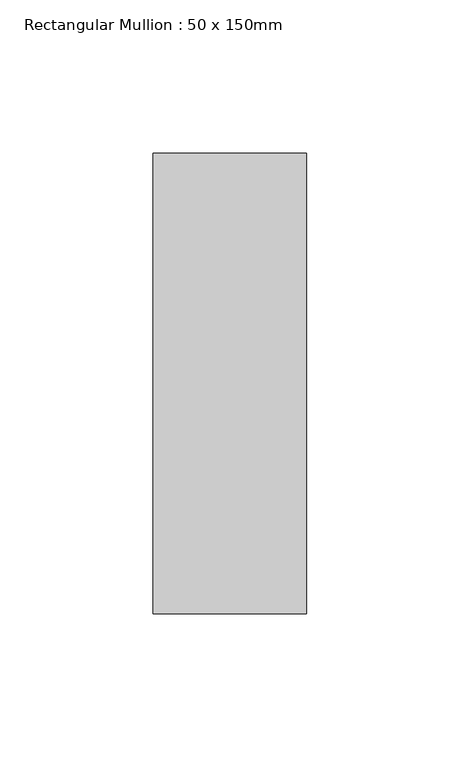
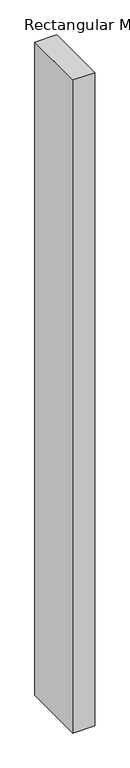
"""IFC4 building model written with IfcOpenShell, lengths in millimetres: member geometry, Rectangular Mullion : 50 x 150mm."""

import ifcopenshell
import ifcopenshell.guid

model = None  # the IFC model being written
_history = None  # IfcOwnerHistory: only IFC2X3 demands one
_inside = {}  # id of a spatial element -> (the spatial element, [elements in it])
_under = {}  # id of a project, library or spatial element -> (it, [spatial elements below it])
_declared = {}  # id of a project -> (the project, [libraries it declares])
_typed = {}  # id of a type object -> (the type object, [elements of that type])
_made_of = {}  # id of a material, layer set ... -> (it, [elements and type objects made of it])


def new_model(schema):
    """Start an empty IFC model of exactly this schema.

    Asked for "IFC4X3", IfcOpenShell would pick the latest addendum, in which some entities
    have other attributes; the version numbers below select the first issue.
    IFC2X3 requires an IfcOwnerHistory on every rooted entity: one is made here for all.
    """
    global model, _history
    if schema == "IFC4X3":
        model = ifcopenshell.file(schema_version=(4, 3, 0, 0))
    else:
        model = ifcopenshell.file(schema=schema)
    _inside.clear()
    _under.clear()
    _declared.clear()
    _typed.clear()
    _made_of.clear()
    _history = None
    if model.schema == "IFC2X3":
        org = make("IfcOrganization", Name="unknown")
        user = make(
            "IfcPersonAndOrganization",
            ThePerson=make("IfcPerson", FamilyName="unknown"),
            TheOrganization=org,
        )
        app = make(
            "IfcApplication",
            ApplicationDeveloper=org,
            Version="unknown",
            ApplicationFullName="unknown",
            ApplicationIdentifier="unknown",
        )
        _history = make(
            "IfcOwnerHistory",
            OwningUser=user,
            OwningApplication=app,
            ChangeAction="ADDED",
            CreationDate=0,
        )
    return model


def make(cls, **values):
    """One entity of the class cls with the attributes given. An attribute that is None is left unset."""
    return model.create_entity(
        cls, **{name: value for name, value in values.items() if value is not None}
    )


def rooted(cls, **values):
    """An entity with a GlobalId (a new one), such as an element, a storey or a relation."""
    return make(cls, GlobalId=ifcopenshell.guid.new(), OwnerHistory=_history, **values)


def si_unit(unit_type, name, prefix=None):
    """IfcSIUnit, for example si_unit("LENGTHUNIT", "METRE", prefix="MILLI")."""
    return make("IfcSIUnit", UnitType=unit_type, Prefix=prefix, Name=name)


def assignment(units):
    """IfcUnitAssignment: the units of a project."""
    return None if units is None else make("IfcUnitAssignment", Units=units)


def point(xyz):
    """IfcCartesianPoint."""
    return None if xyz is None else make("IfcCartesianPoint", Coordinates=xyz)


def direction(xyz):
    """IfcDirection."""
    return None if xyz is None else make("IfcDirection", DirectionRatios=xyz)


def frame(location, z_axis=None, x_axis=None):
    """IfcAxis2Placement3D, a coordinate frame: its origin and axes. An axis left out is left unset."""
    return make(
        "IfcAxis2Placement3D",
        Location=point(location),
        Axis=direction(z_axis),
        RefDirection=direction(x_axis),
    )


def origin():
    """The frame at (0, 0, 0) with its axes left unset."""
    return frame((0.0, 0.0, 0.0))


def place(relative_to, where):
    """IfcLocalPlacement: puts the frame where relative to a parent placement (None: the world)."""
    return make(
        "IfcLocalPlacement", PlacementRelTo=relative_to, RelativePlacement=where
    )


def context(
    kind, dimensions, precision=None, world=None, true_north=None, identifier=None
):
    """IfcGeometricRepresentationContext, for example the 3D "Model" context."""
    return make(
        "IfcGeometricRepresentationContext",
        ContextIdentifier=identifier,
        ContextType=kind,
        CoordinateSpaceDimension=dimensions,
        Precision=precision,
        WorldCoordinateSystem=world,
        TrueNorth=true_north,
    )


def project(units=None, contexts=None):
    """IfcProject with its units and contexts."""
    return rooted(
        "IfcProject",
        Name="project",
        RepresentationContexts=contexts,
        UnitsInContext=assignment(units),
    )


def spatial(cls, under=None, at=None, **own):
    """A site, building, storey or space (cls), placed at a placement, below another one or the project."""
    s = rooted(cls, ObjectPlacement=at, **own)
    if under is not None:
        _under.setdefault(under.id(), (under, []))[1].append(s)
    return s


def polyline(points):
    """IfcPolyline through the points."""
    return make("IfcPolyline", Points=[point(p) for p in points])


def outline(outer, holes=None, kind="AREA"):
    """IfcArbitraryClosedProfileDef: a profile drawn as a closed curve; with holes, ...WithVoids."""
    if holes is None:
        return make("IfcArbitraryClosedProfileDef", ProfileType=kind, OuterCurve=outer)
    return make(
        "IfcArbitraryProfileDefWithVoids",
        ProfileType=kind,
        OuterCurve=outer,
        InnerCurves=holes,
    )


def extrude(swept, where, along, depth):
    """IfcExtrudedAreaSolid: the profile swept, set in the frame where, extruded along a direction by depth."""
    return make(
        "IfcExtrudedAreaSolid",
        SweptArea=swept,
        Position=where,
        ExtrudedDirection=direction(along),
        Depth=depth,
    )


def shape(context_of_items, identifier, shape_type, items):
    """IfcShapeRepresentation: the items that make up one representation, for example the "Body"."""
    return make(
        "IfcShapeRepresentation",
        ContextOfItems=context_of_items,
        RepresentationIdentifier=identifier,
        RepresentationType=shape_type,
        Items=items,
    )


def source(mapping_origin, context_of_items, identifier, shape_type, items):
    """IfcRepresentationMap: a shape defined once, which mapped items show again and again."""
    return make(
        "IfcRepresentationMap",
        MappingOrigin=mapping_origin,
        MappedRepresentation=shape(context_of_items, identifier, shape_type, items),
    )


def transform(
    local_origin,
    x_axis=None,
    y_axis=None,
    z_axis=None,
    scale=None,
    scale2=None,
    scale3=None,
    uniform=True,
):
    """IfcCartesianTransformationOperator3D, or its non-uniform kind. x_axis, y_axis, z_axis: its Axis1, 2, 3."""
    if uniform:
        return make(
            "IfcCartesianTransformationOperator3D",
            Axis1=direction(x_axis),
            Axis2=direction(y_axis),
            LocalOrigin=point(local_origin),
            Scale=scale,
            Axis3=direction(z_axis),
        )
    return make(
        "IfcCartesianTransformationOperator3DnonUniform",
        Axis1=direction(x_axis),
        Axis2=direction(y_axis),
        LocalOrigin=point(local_origin),
        Scale=scale,
        Axis3=direction(z_axis),
        Scale2=scale2,
        Scale3=scale3,
    )


def mapped(mapping_source, mapping_target):
    """IfcMappedItem: shows the shape of a source again, moved by a transform."""
    return make(
        "IfcMappedItem", MappingSource=mapping_source, MappingTarget=mapping_target
    )


def made_of(thing, what):
    """Note that an element or type object is made of a material, layer set ...; save() writes the relation."""
    if what is not None:
        _made_of.setdefault(what.id(), (what, []))[1].append(thing)
    return thing


def element(
    cls,
    number,
    at=None,
    inside=None,
    cuts=None,
    type_object=None,
    material=None,
    context=None,
    identifier="Body",
    shape_type=None,
    held_by="IfcProductDefinitionShape",
    body=None,
    shapes=None,
    **own,
):
    """One element of the class cls, such as IfcWall. Its Tag is "e" and its number.

    at: its placement. inside: the storey or other place that contains it. cuts: it is an
    opening in that element (IfcRelVoidsElement). A single representation is given by context,
    identifier, shape_type and body (its items); several are given by shapes. held_by: the class
    of the entity that holds the representations. save() writes the other relations.
    """
    e = rooted(cls, Tag="e%d" % number, ObjectPlacement=at, **own)
    if body is not None:
        shapes = [shape(context, identifier, shape_type, body)]
    if shapes is not None:
        e.Representation = make(held_by, Representations=shapes)
    if inside is not None:
        _inside.setdefault(inside.id(), (inside, []))[1].append(e)
    if cuts is not None:
        rooted(
            "IfcRelVoidsElement", RelatingBuildingElement=cuts, RelatedOpeningElement=e
        )
    if type_object is not None:
        _typed.setdefault(type_object.id(), (type_object, []))[1].append(e)
    return made_of(e, material)


def aggregate(whole, parts):
    """IfcRelAggregates: a whole, such as a stair, and the parts it consists of."""
    return rooted("IfcRelAggregates", RelatingObject=whole, RelatedObjects=parts)


def save(model, path):
    """Write the relations noted so far, then the file.

    IfcRelAggregates (storeys below a building ...), IfcRelContainedInSpatialStructure (elements
    in a storey), IfcRelDefinesByType, IfcRelAssociatesMaterial and IfcRelDeclares: one each for
    every whole, place, type object, material and project.
    """
    for whole, parts in _under.values():
        aggregate(whole, parts)
    for where, things in _inside.values():
        rooted(
            "IfcRelContainedInSpatialStructure",
            RelatedElements=things,
            RelatingStructure=where,
        )
    for kind, things in _typed.values():
        rooted("IfcRelDefinesByType", RelatedObjects=things, RelatingType=kind)
    for what, things in _made_of.values():
        rooted("IfcRelAssociatesMaterial", RelatedObjects=things, RelatingMaterial=what)
    for by, libraries in _declared.values():
        rooted("IfcRelDeclares", RelatingContext=by, RelatedDefinitions=libraries)
    model.write(path)


def rectangular_mullion_50_x_150mm_9a83613f(model_context):
    return source(origin(), model_context, "Body", "SweptSolid", [
        extrude(outline(polyline([(0.0, 75.0), (0.0, -75.0), (-50.0, -75.0), (-50.0, 75.0), (0.0, 75.0)])), frame((0.0, 0.0, -1577.8425369), z_axis=(0.0, 0.0, 1.0), x_axis=(1.0, 0.0, 0.0)), (0.0, 0.0, 1.0), 1577.8425369),
    ])


if __name__ == "__main__":
    model = new_model("IFC4")
    model_context = context("Model", 3, world=origin())
    ifc_project = project(units=[si_unit("LENGTHUNIT", "METRE", prefix="MILLI")], contexts=[model_context])
    site = spatial("IfcSite", under=ifc_project)
    building = spatial("IfcBuilding", under=site)
    placement = place(None, origin())
    rectangular_mullion_50_x_150mm_shape = rectangular_mullion_50_x_150mm_9a83613f(model_context)
    element("IfcMember", 1, ObjectType="Rectangular Mullion : 50 x 150mm", at=placement, inside=building, context=model_context, shape_type="MappedRepresentation", body=[
        mapped(rectangular_mullion_50_x_150mm_shape, transform((0.0, 0.0, 0.0), x_axis=(1.0, 0.0, 0.0), y_axis=(0.0, 1.0, 0.0), z_axis=(0.0, 0.0, 1.0))),
    ])
    save(model, "model.ifc")
